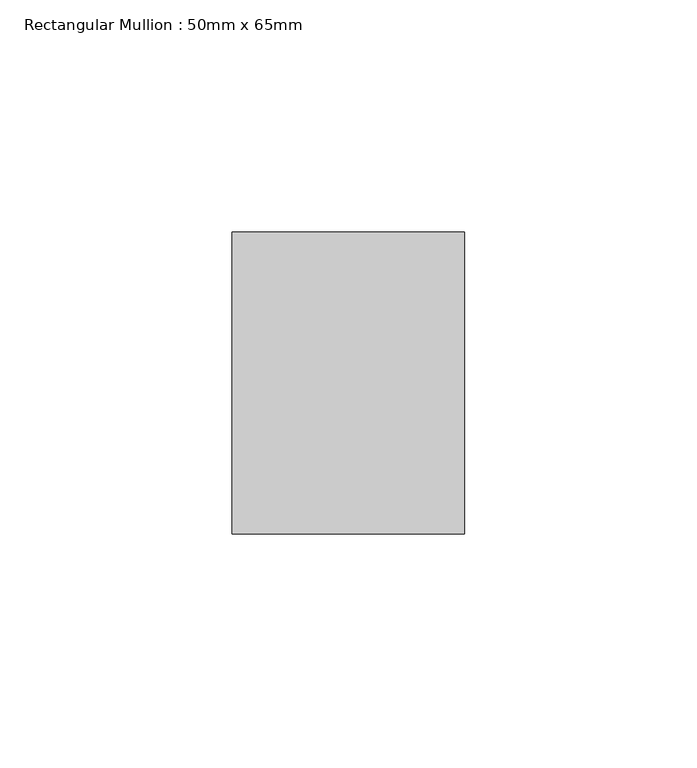
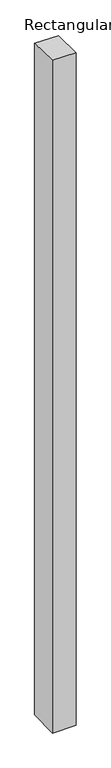
"""IFC4 building model written with IfcOpenShell, lengths in millimetres: member geometry, Rectangular Mullion : 50mm x 65mm."""

from ifc_helpers import new_model, si_unit, origin, place, context, project, spatial, faceted_brep, source, transform, mapped, element, save


def rectangular_mullion_50mm_x_65mm_fc96f8af(model_context):
    return source(origin(), model_context, "Body", "Brep", [
        faceted_brep([(-25.0, 32.5, -0.7127071), (25.0, 32.5, -0.7127081), (25.0, 32.5, -1499.1022269), (-25.0, 32.5, -1499.1022281), (-25.0, -32.5, 0.7127081), (-25.0, -32.5, -1500.8981547), (25.0, -32.5, 0.7127071), (25.0, -32.5, -1500.8981534)], [[[0, 1, 2, 3]], [[4, 0, 3, 5]], [[6, 4, 5, 7]], [[1, 6, 7, 2]], [[1, 0, 4, 6]], [[2, 7, 5, 3]]]),
    ])


if __name__ == "__main__":
    model = new_model("IFC4")
    model_context = context("Model", 3, world=origin())
    ifc_project = project(units=[si_unit("LENGTHUNIT", "METRE", prefix="MILLI")], contexts=[model_context])
    site = spatial("IfcSite", under=ifc_project)
    building = spatial("IfcBuilding", under=site)
    placement = place(None, origin())
    rectangular_mullion_50mm_x_65mm_shape = rectangular_mullion_50mm_x_65mm_fc96f8af(model_context)
    element("IfcMember", 1, ObjectType="Rectangular Mullion : 50mm x 65mm", at=placement, inside=building, context=model_context, shape_type="MappedRepresentation", body=[
        mapped(rectangular_mullion_50mm_x_65mm_shape, transform((0.0, 0.0, 0.0), x_axis=(1.0, 0.0, 0.0), y_axis=(0.0, 1.0, 0.0), z_axis=(0.0, 0.0, 1.0))),
    ])
    save(model, "model.ifc")
